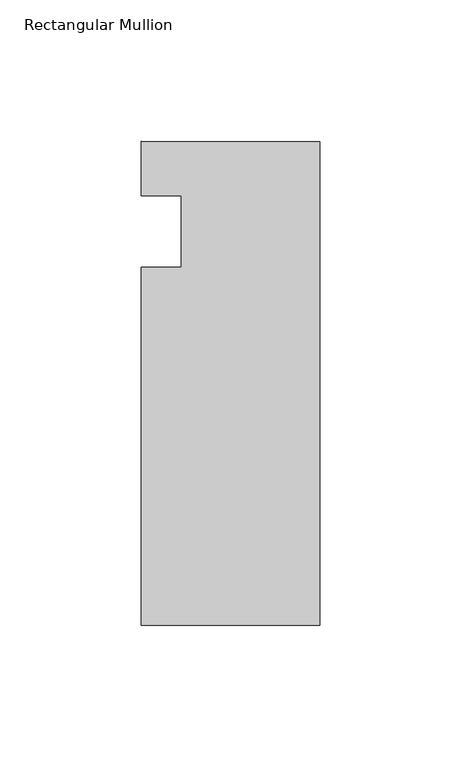
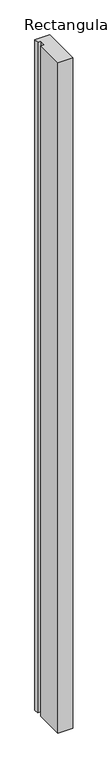
"""IFC4 building model written with IfcOpenShell, lengths in millimetres: member geometry, Rectangular Mullion."""

import ifcopenshell
import ifcopenshell.guid

model = None  # the IFC model being written
_history = None  # IfcOwnerHistory: only IFC2X3 demands one
_inside = {}  # id of a spatial element -> (the spatial element, [elements in it])
_under = {}  # id of a project, library or spatial element -> (it, [spatial elements below it])
_declared = {}  # id of a project -> (the project, [libraries it declares])
_typed = {}  # id of a type object -> (the type object, [elements of that type])
_made_of = {}  # id of a material, layer set ... -> (it, [elements and type objects made of it])


def new_model(schema):
    """Start an empty IFC model of exactly this schema.

    Asked for "IFC4X3", IfcOpenShell would pick the latest addendum, in which some entities
    have other attributes; the version numbers below select the first issue.
    IFC2X3 requires an IfcOwnerHistory on every rooted entity: one is made here for all.
    """
    global model, _history
    if schema == "IFC4X3":
        model = ifcopenshell.file(schema_version=(4, 3, 0, 0))
    else:
        model = ifcopenshell.file(schema=schema)
    _inside.clear()
    _under.clear()
    _declared.clear()
    _typed.clear()
    _made_of.clear()
    _history = None
    if model.schema == "IFC2X3":
        org = make("IfcOrganization", Name="unknown")
        user = make(
            "IfcPersonAndOrganization",
            ThePerson=make("IfcPerson", FamilyName="unknown"),
            TheOrganization=org,
        )
        app = make(
            "IfcApplication",
            ApplicationDeveloper=org,
            Version="unknown",
            ApplicationFullName="unknown",
            ApplicationIdentifier="unknown",
        )
        _history = make(
            "IfcOwnerHistory",
            OwningUser=user,
            OwningApplication=app,
            ChangeAction="ADDED",
            CreationDate=0,
        )
    return model


def make(cls, **values):
    """One entity of the class cls with the attributes given. An attribute that is None is left unset."""
    return model.create_entity(
        cls, **{name: value for name, value in values.items() if value is not None}
    )


def rooted(cls, **values):
    """An entity with a GlobalId (a new one), such as an element, a storey or a relation."""
    return make(cls, GlobalId=ifcopenshell.guid.new(), OwnerHistory=_history, **values)


def si_unit(unit_type, name, prefix=None):
    """IfcSIUnit, for example si_unit("LENGTHUNIT", "METRE", prefix="MILLI")."""
    return make("IfcSIUnit", UnitType=unit_type, Prefix=prefix, Name=name)


def assignment(units):
    """IfcUnitAssignment: the units of a project."""
    return None if units is None else make("IfcUnitAssignment", Units=units)


def point(xyz):
    """IfcCartesianPoint."""
    return None if xyz is None else make("IfcCartesianPoint", Coordinates=xyz)


def direction(xyz):
    """IfcDirection."""
    return None if xyz is None else make("IfcDirection", DirectionRatios=xyz)


def frame(location, z_axis=None, x_axis=None):
    """IfcAxis2Placement3D, a coordinate frame: its origin and axes. An axis left out is left unset."""
    return make(
        "IfcAxis2Placement3D",
        Location=point(location),
        Axis=direction(z_axis),
        RefDirection=direction(x_axis),
    )


def origin():
    """The frame at (0, 0, 0) with its axes left unset."""
    return frame((0.0, 0.0, 0.0))


def place(relative_to, where):
    """IfcLocalPlacement: puts the frame where relative to a parent placement (None: the world)."""
    return make(
        "IfcLocalPlacement", PlacementRelTo=relative_to, RelativePlacement=where
    )


def context(
    kind, dimensions, precision=None, world=None, true_north=None, identifier=None
):
    """IfcGeometricRepresentationContext, for example the 3D "Model" context."""
    return make(
        "IfcGeometricRepresentationContext",
        ContextIdentifier=identifier,
        ContextType=kind,
        CoordinateSpaceDimension=dimensions,
        Precision=precision,
        WorldCoordinateSystem=world,
        TrueNorth=true_north,
    )


def project(units=None, contexts=None):
    """IfcProject with its units and contexts."""
    return rooted(
        "IfcProject",
        Name="project",
        RepresentationContexts=contexts,
        UnitsInContext=assignment(units),
    )


def spatial(cls, under=None, at=None, **own):
    """A site, building, storey or space (cls), placed at a placement, below another one or the project."""
    s = rooted(cls, ObjectPlacement=at, **own)
    if under is not None:
        _under.setdefault(under.id(), (under, []))[1].append(s)
    return s


def polyline(points):
    """IfcPolyline through the points."""
    return make("IfcPolyline", Points=[point(p) for p in points])


def outline(outer, holes=None, kind="AREA"):
    """IfcArbitraryClosedProfileDef: a profile drawn as a closed curve; with holes, ...WithVoids."""
    if holes is None:
        return make("IfcArbitraryClosedProfileDef", ProfileType=kind, OuterCurve=outer)
    return make(
        "IfcArbitraryProfileDefWithVoids",
        ProfileType=kind,
        OuterCurve=outer,
        InnerCurves=holes,
    )


def extrude(swept, where, along, depth):
    """IfcExtrudedAreaSolid: the profile swept, set in the frame where, extruded along a direction by depth."""
    return make(
        "IfcExtrudedAreaSolid",
        SweptArea=swept,
        Position=where,
        ExtrudedDirection=direction(along),
        Depth=depth,
    )


def shape(context_of_items, identifier, shape_type, items):
    """IfcShapeRepresentation: the items that make up one representation, for example the "Body"."""
    return make(
        "IfcShapeRepresentation",
        ContextOfItems=context_of_items,
        RepresentationIdentifier=identifier,
        RepresentationType=shape_type,
        Items=items,
    )


def source(mapping_origin, context_of_items, identifier, shape_type, items):
    """IfcRepresentationMap: a shape defined once, which mapped items show again and again."""
    return make(
        "IfcRepresentationMap",
        MappingOrigin=mapping_origin,
        MappedRepresentation=shape(context_of_items, identifier, shape_type, items),
    )


def transform(
    local_origin,
    x_axis=None,
    y_axis=None,
    z_axis=None,
    scale=None,
    scale2=None,
    scale3=None,
    uniform=True,
):
    """IfcCartesianTransformationOperator3D, or its non-uniform kind. x_axis, y_axis, z_axis: its Axis1, 2, 3."""
    if uniform:
        return make(
            "IfcCartesianTransformationOperator3D",
            Axis1=direction(x_axis),
            Axis2=direction(y_axis),
            LocalOrigin=point(local_origin),
            Scale=scale,
            Axis3=direction(z_axis),
        )
    return make(
        "IfcCartesianTransformationOperator3DnonUniform",
        Axis1=direction(x_axis),
        Axis2=direction(y_axis),
        LocalOrigin=point(local_origin),
        Scale=scale,
        Axis3=direction(z_axis),
        Scale2=scale2,
        Scale3=scale3,
    )


def mapped(mapping_source, mapping_target):
    """IfcMappedItem: shows the shape of a source again, moved by a transform."""
    return make(
        "IfcMappedItem", MappingSource=mapping_source, MappingTarget=mapping_target
    )


def made_of(thing, what):
    """Note that an element or type object is made of a material, layer set ...; save() writes the relation."""
    if what is not None:
        _made_of.setdefault(what.id(), (what, []))[1].append(thing)
    return thing


def element(
    cls,
    number,
    at=None,
    inside=None,
    cuts=None,
    type_object=None,
    material=None,
    context=None,
    identifier="Body",
    shape_type=None,
    held_by="IfcProductDefinitionShape",
    body=None,
    shapes=None,
    **own,
):
    """One element of the class cls, such as IfcWall. Its Tag is "e" and its number.

    at: its placement. inside: the storey or other place that contains it. cuts: it is an
    opening in that element (IfcRelVoidsElement). A single representation is given by context,
    identifier, shape_type and body (its items); several are given by shapes. held_by: the class
    of the entity that holds the representations. save() writes the other relations.
    """
    e = rooted(cls, Tag="e%d" % number, ObjectPlacement=at, **own)
    if body is not None:
        shapes = [shape(context, identifier, shape_type, body)]
    if shapes is not None:
        e.Representation = make(held_by, Representations=shapes)
    if inside is not None:
        _inside.setdefault(inside.id(), (inside, []))[1].append(e)
    if cuts is not None:
        rooted(
            "IfcRelVoidsElement", RelatingBuildingElement=cuts, RelatedOpeningElement=e
        )
    if type_object is not None:
        _typed.setdefault(type_object.id(), (type_object, []))[1].append(e)
    return made_of(e, material)


def aggregate(whole, parts):
    """IfcRelAggregates: a whole, such as a stair, and the parts it consists of."""
    return rooted("IfcRelAggregates", RelatingObject=whole, RelatedObjects=parts)


def save(model, path):
    """Write the relations noted so far, then the file.

    IfcRelAggregates (storeys below a building ...), IfcRelContainedInSpatialStructure (elements
    in a storey), IfcRelDefinesByType, IfcRelAssociatesMaterial and IfcRelDeclares: one each for
    every whole, place, type object, material and project.
    """
    for whole, parts in _under.values():
        aggregate(whole, parts)
    for where, things in _inside.values():
        rooted(
            "IfcRelContainedInSpatialStructure",
            RelatedElements=things,
            RelatingStructure=where,
        )
    for kind, things in _typed.values():
        rooted("IfcRelDefinesByType", RelatedObjects=things, RelatingType=kind)
    for what, things in _made_of.values():
        rooted("IfcRelAssociatesMaterial", RelatedObjects=things, RelatingMaterial=what)
    for by, libraries in _declared.values():
        rooted("IfcRelDeclares", RelatingContext=by, RelatedDefinitions=libraries)
    model.write(path)


def rectangular_mullion_8a4e5a62(model_context):
    return source(origin(), model_context, "Body", "SweptSolid", [
        extrude(outline(polyline([(-63.454026, -139.7014045), (-63.454026, -12.7013791), (-49.166526, -12.7014045), (-49.166526, 12.6985955), (-63.454026, 12.6985955), (-63.3922134, 32.0719397), (0.0, 31.75), (0.0, -139.7014045), (-63.454026, -139.7014045)])), frame((0.0, 0.0, -3048.0), z_axis=(0.0, 0.0, 1.0), x_axis=(1.0, 0.0, 0.0)), (0.0, 0.0, 1.0), 3048.0),
    ])


if __name__ == "__main__":
    model = new_model("IFC4")
    model_context = context("Model", 3, world=origin())
    ifc_project = project(units=[si_unit("LENGTHUNIT", "METRE", prefix="MILLI")], contexts=[model_context])
    site = spatial("IfcSite", under=ifc_project)
    building = spatial("IfcBuilding", under=site)
    placement = place(None, origin())
    rectangular_mullion_shape = rectangular_mullion_8a4e5a62(model_context)
    element("IfcMember", 1, ObjectType="Rectangular Mullion", at=placement, inside=building, context=model_context, shape_type="MappedRepresentation", body=[
        mapped(rectangular_mullion_shape, transform((0.0, 0.0, 0.0), x_axis=(1.0, 0.0, 0.0), y_axis=(0.0, 1.0, 0.0), z_axis=(0.0, 0.0, 1.0))),
    ])
    save(model, "model.ifc")
